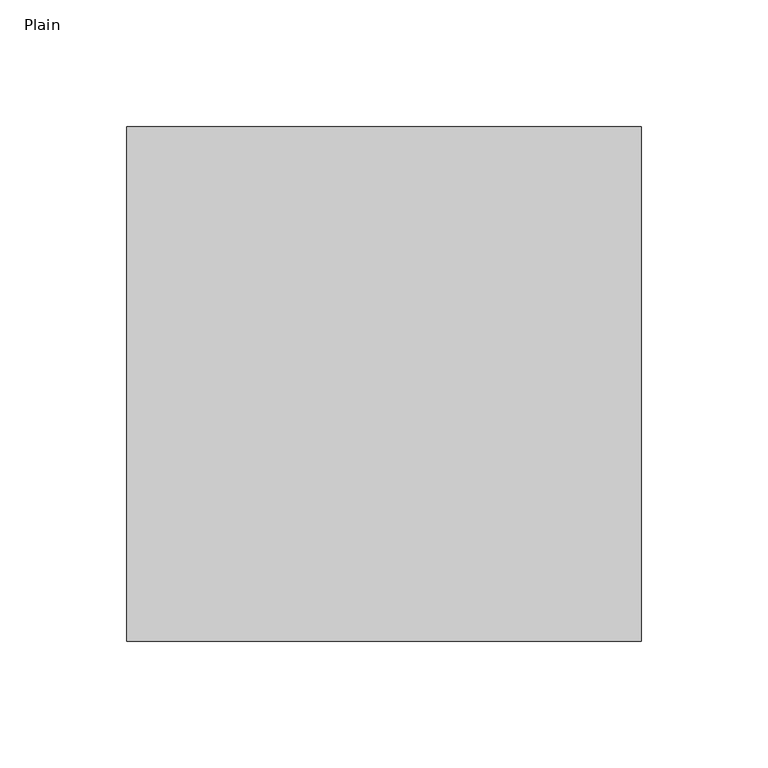
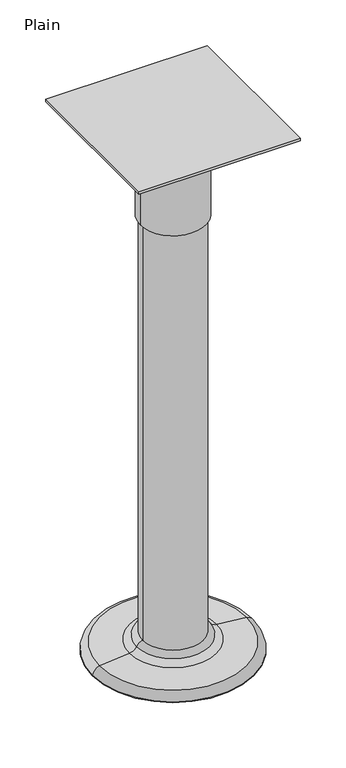
"""IFC4 building model written with IfcOpenShell, lengths in millimetres: furniture geometry, Plain."""

import ifcopenshell
import ifcopenshell.guid

model = None  # the IFC model being written
_history = None  # IfcOwnerHistory: only IFC2X3 demands one
_inside = {}  # id of a spatial element -> (the spatial element, [elements in it])
_under = {}  # id of a project, library or spatial element -> (it, [spatial elements below it])
_declared = {}  # id of a project -> (the project, [libraries it declares])
_typed = {}  # id of a type object -> (the type object, [elements of that type])
_made_of = {}  # id of a material, layer set ... -> (it, [elements and type objects made of it])


def new_model(schema):
    """Start an empty IFC model of exactly this schema.

    Asked for "IFC4X3", IfcOpenShell would pick the latest addendum, in which some entities
    have other attributes; the version numbers below select the first issue.
    IFC2X3 requires an IfcOwnerHistory on every rooted entity: one is made here for all.
    """
    global model, _history
    if schema == "IFC4X3":
        model = ifcopenshell.file(schema_version=(4, 3, 0, 0))
    else:
        model = ifcopenshell.file(schema=schema)
    _inside.clear()
    _under.clear()
    _declared.clear()
    _typed.clear()
    _made_of.clear()
    _history = None
    if model.schema == "IFC2X3":
        org = make("IfcOrganization", Name="unknown")
        user = make(
            "IfcPersonAndOrganization",
            ThePerson=make("IfcPerson", FamilyName="unknown"),
            TheOrganization=org,
        )
        app = make(
            "IfcApplication",
            ApplicationDeveloper=org,
            Version="unknown",
            ApplicationFullName="unknown",
            ApplicationIdentifier="unknown",
        )
        _history = make(
            "IfcOwnerHistory",
            OwningUser=user,
            OwningApplication=app,
            ChangeAction="ADDED",
            CreationDate=0,
        )
    return model


def make(cls, **values):
    """One entity of the class cls with the attributes given. An attribute that is None is left unset."""
    return model.create_entity(
        cls, **{name: value for name, value in values.items() if value is not None}
    )


def rooted(cls, **values):
    """An entity with a GlobalId (a new one), such as an element, a storey or a relation."""
    return make(cls, GlobalId=ifcopenshell.guid.new(), OwnerHistory=_history, **values)


def si_unit(unit_type, name, prefix=None):
    """IfcSIUnit, for example si_unit("LENGTHUNIT", "METRE", prefix="MILLI")."""
    return make("IfcSIUnit", UnitType=unit_type, Prefix=prefix, Name=name)


def assignment(units):
    """IfcUnitAssignment: the units of a project."""
    return None if units is None else make("IfcUnitAssignment", Units=units)


def point(xyz):
    """IfcCartesianPoint."""
    return None if xyz is None else make("IfcCartesianPoint", Coordinates=xyz)


def direction(xyz):
    """IfcDirection."""
    return None if xyz is None else make("IfcDirection", DirectionRatios=xyz)


def frame(location, z_axis=None, x_axis=None):
    """IfcAxis2Placement3D, a coordinate frame: its origin and axes. An axis left out is left unset."""
    return make(
        "IfcAxis2Placement3D",
        Location=point(location),
        Axis=direction(z_axis),
        RefDirection=direction(x_axis),
    )


def origin():
    """The frame at (0, 0, 0) with its axes left unset."""
    return frame((0.0, 0.0, 0.0))


def place(relative_to, where):
    """IfcLocalPlacement: puts the frame where relative to a parent placement (None: the world)."""
    return make(
        "IfcLocalPlacement", PlacementRelTo=relative_to, RelativePlacement=where
    )


def context(
    kind, dimensions, precision=None, world=None, true_north=None, identifier=None
):
    """IfcGeometricRepresentationContext, for example the 3D "Model" context."""
    return make(
        "IfcGeometricRepresentationContext",
        ContextIdentifier=identifier,
        ContextType=kind,
        CoordinateSpaceDimension=dimensions,
        Precision=precision,
        WorldCoordinateSystem=world,
        TrueNorth=true_north,
    )


def project(units=None, contexts=None):
    """IfcProject with its units and contexts."""
    return rooted(
        "IfcProject",
        Name="project",
        RepresentationContexts=contexts,
        UnitsInContext=assignment(units),
    )


def spatial(cls, under=None, at=None, **own):
    """A site, building, storey or space (cls), placed at a placement, below another one or the project."""
    s = rooted(cls, ObjectPlacement=at, **own)
    if under is not None:
        _under.setdefault(under.id(), (under, []))[1].append(s)
    return s


def polyline(points):
    """IfcPolyline through the points."""
    return make("IfcPolyline", Points=[point(p) for p in points])


def circle_curve(where, radius):
    """IfcCircle in the frame where."""
    return make("IfcCircle", Position=where, Radius=radius)


def ellipse_curve(where, semi_axis1, semi_axis2):
    """IfcEllipse in the frame where."""
    return make(
        "IfcEllipse", Position=where, SemiAxis1=semi_axis1, SemiAxis2=semi_axis2
    )


def trimmed(basis, trim1, trim2, sense, master):
    """IfcTrimmedCurve: the piece of a basis curve between two trims."""
    return make(
        "IfcTrimmedCurve",
        BasisCurve=basis,
        Trim1=trim1,
        Trim2=trim2,
        SenseAgreement=sense,
        MasterRepresentation=master,
    )


def outline(outer, holes=None, kind="AREA"):
    """IfcArbitraryClosedProfileDef: a profile drawn as a closed curve; with holes, ...WithVoids."""
    if holes is None:
        return make("IfcArbitraryClosedProfileDef", ProfileType=kind, OuterCurve=outer)
    return make(
        "IfcArbitraryProfileDefWithVoids",
        ProfileType=kind,
        OuterCurve=outer,
        InnerCurves=holes,
    )


def extrude(swept, where, along, depth):
    """IfcExtrudedAreaSolid: the profile swept, set in the frame where, extruded along a direction by depth."""
    return make(
        "IfcExtrudedAreaSolid",
        SweptArea=swept,
        Position=where,
        ExtrudedDirection=direction(along),
        Depth=depth,
    )


def shape(context_of_items, identifier, shape_type, items):
    """IfcShapeRepresentation: the items that make up one representation, for example the "Body"."""
    return make(
        "IfcShapeRepresentation",
        ContextOfItems=context_of_items,
        RepresentationIdentifier=identifier,
        RepresentationType=shape_type,
        Items=items,
    )


def source(mapping_origin, context_of_items, identifier, shape_type, items):
    """IfcRepresentationMap: a shape defined once, which mapped items show again and again."""
    return make(
        "IfcRepresentationMap",
        MappingOrigin=mapping_origin,
        MappedRepresentation=shape(context_of_items, identifier, shape_type, items),
    )


def transform(
    local_origin,
    x_axis=None,
    y_axis=None,
    z_axis=None,
    scale=None,
    scale2=None,
    scale3=None,
    uniform=True,
):
    """IfcCartesianTransformationOperator3D, or its non-uniform kind. x_axis, y_axis, z_axis: its Axis1, 2, 3."""
    if uniform:
        return make(
            "IfcCartesianTransformationOperator3D",
            Axis1=direction(x_axis),
            Axis2=direction(y_axis),
            LocalOrigin=point(local_origin),
            Scale=scale,
            Axis3=direction(z_axis),
        )
    return make(
        "IfcCartesianTransformationOperator3DnonUniform",
        Axis1=direction(x_axis),
        Axis2=direction(y_axis),
        LocalOrigin=point(local_origin),
        Scale=scale,
        Axis3=direction(z_axis),
        Scale2=scale2,
        Scale3=scale3,
    )


def mapped(mapping_source, mapping_target):
    """IfcMappedItem: shows the shape of a source again, moved by a transform."""
    return make(
        "IfcMappedItem", MappingSource=mapping_source, MappingTarget=mapping_target
    )


def made_of(thing, what):
    """Note that an element or type object is made of a material, layer set ...; save() writes the relation."""
    if what is not None:
        _made_of.setdefault(what.id(), (what, []))[1].append(thing)
    return thing


def element(
    cls,
    number,
    at=None,
    inside=None,
    cuts=None,
    type_object=None,
    material=None,
    context=None,
    identifier="Body",
    shape_type=None,
    held_by="IfcProductDefinitionShape",
    body=None,
    shapes=None,
    **own,
):
    """One element of the class cls, such as IfcWall. Its Tag is "e" and its number.

    at: its placement. inside: the storey or other place that contains it. cuts: it is an
    opening in that element (IfcRelVoidsElement). A single representation is given by context,
    identifier, shape_type and body (its items); several are given by shapes. held_by: the class
    of the entity that holds the representations. save() writes the other relations.
    """
    e = rooted(cls, Tag="e%d" % number, ObjectPlacement=at, **own)
    if body is not None:
        shapes = [shape(context, identifier, shape_type, body)]
    if shapes is not None:
        e.Representation = make(held_by, Representations=shapes)
    if inside is not None:
        _inside.setdefault(inside.id(), (inside, []))[1].append(e)
    if cuts is not None:
        rooted(
            "IfcRelVoidsElement", RelatingBuildingElement=cuts, RelatedOpeningElement=e
        )
    if type_object is not None:
        _typed.setdefault(type_object.id(), (type_object, []))[1].append(e)
    return made_of(e, material)


def aggregate(whole, parts):
    """IfcRelAggregates: a whole, such as a stair, and the parts it consists of."""
    return rooted("IfcRelAggregates", RelatingObject=whole, RelatedObjects=parts)


def save(model, path):
    """Write the relations noted so far, then the file.

    IfcRelAggregates (storeys below a building ...), IfcRelContainedInSpatialStructure (elements
    in a storey), IfcRelDefinesByType, IfcRelAssociatesMaterial and IfcRelDeclares: one each for
    every whole, place, type object, material and project.
    """
    for whole, parts in _under.values():
        aggregate(whole, parts)
    for where, things in _inside.values():
        rooted(
            "IfcRelContainedInSpatialStructure",
            RelatedElements=things,
            RelatingStructure=where,
        )
    for kind, things in _typed.values():
        rooted("IfcRelDefinesByType", RelatedObjects=things, RelatingType=kind)
    for what, things in _made_of.values():
        rooted("IfcRelAssociatesMaterial", RelatedObjects=things, RelatingMaterial=what)
    for by, libraries in _declared.values():
        rooted("IfcRelDeclares", RelatingContext=by, RelatedDefinitions=libraries)
    model.write(path)


def plane_surface(at):
    """IfcPlane: the flat surface through the origin of the frame at, square to its z axis."""
    return make("IfcPlane", Position=at)


def cylinder_surface(at, radius):
    """IfcCylindricalSurface: all points at the distance radius from the z axis of the frame at."""
    return make("IfcCylindricalSurface", Position=at, Radius=radius)


def revolved_surface(curve, axis_point, axis_direction):
    """IfcSurfaceOfRevolution: the curve turned about the line through axis_point along axis_direction."""
    return make(
        "IfcSurfaceOfRevolution",
        SweptCurve=make("IfcArbitraryOpenProfileDef", ProfileType="CURVE", Curve=curve),
        AxisPosition=make("IfcAxis1Placement", Location=point(axis_point), Axis=direction(axis_direction)),
    )


def advanced_brep(points, edges, surfaces, faces):
    """IfcAdvancedBrep: a solid bounded by faces that lie on surfaces and meet in shared edges.

    An edge is (start, end): straight between two places in points (the first is 0);
    or (start, end, curve); or (start, end, curve, False) where it runs against its curve.
    A face is (place in surfaces, loops), or (place, loops, False) where it looks against
    its surface's normal. A loop lists edges by number (the first is 1), with a minus sign
    where the edge is run from its end to its start. The first loop is the outer one.
    """
    corners = [point(p) for p in points]
    vertices = [make("IfcVertexPoint", VertexGeometry=c) for c in corners]
    made = []
    for start, end, *more in edges:
        made.append(
            make(
                "IfcEdgeCurve",
                EdgeStart=vertices[start],
                EdgeEnd=vertices[end],
                EdgeGeometry=more[0] if more else make("IfcPolyline", Points=[corners[start], corners[end]]),
                SameSense=more[1] if len(more) > 1 else True,
            )
        )
    hull = []
    for where, loops, *sense in faces:
        bounds = []
        for j, loop in enumerate(loops):
            ring = [make("IfcOrientedEdge", EdgeElement=made[abs(k) - 1], Orientation=k > 0) for k in loop]
            bounds.append(
                make(
                    "IfcFaceOuterBound" if j == 0 else "IfcFaceBound",
                    Bound=make("IfcEdgeLoop", EdgeList=ring),
                    Orientation=True,
                )
            )
        hull.append(make("IfcAdvancedFace", Bounds=bounds, FaceSurface=surfaces[where], SameSense=sense[0] if sense else True))
    return make("IfcAdvancedBrep", Outer=make("IfcClosedShell", CfsFaces=hull))


def plain_06d27916(model_context):
    return source(origin(), model_context, "Body", "SolidModel", [
        extrude(outline(polyline([(-57.7484004, 631.8914812), (-57.7484004, 428.6914812), (-260.9484004, 428.6914812), (-260.9484004, 631.8914812), (-57.7484004, 631.8914812)])), frame((0.0, 0.0, 703.2752), z_axis=(0.0, 0.0, 1.0), x_axis=(1.0, 0.0, 0.0)), (0.0, 0.0, 1.0), 3.4544),
        advanced_brep(
        [(-200.6234004, 530.2914812, 579.7296), (-118.0734004, 530.2914812, 579.7296), (-159.3484004, 530.2914812, 579.7296), (-200.6234004, 530.2914812, 703.2752), (-118.0734004, 530.2914812, 703.2752), (-159.3484004, 530.2914812, 703.2752)],
        [
            (0, 1, circle_curve(frame((-159.3484004, 530.2914812, 579.7296), z_axis=(0.0, 0.0, -1.0), x_axis=(1.0, 0.0, 0.0)), 41.275)),
            (1, 2),
            (2, 0),
            (1, 0, circle_curve(frame((-159.3484004, 530.2914812, 579.7296), z_axis=(0.0, 0.0, -1.0), x_axis=(1.0, 0.0, 0.0)), 41.275)),
            (3, 4, circle_curve(frame((-159.3484004, 530.2914812, 703.2752), z_axis=(0.0, 0.0, -1.0), x_axis=(1.0, 0.0, 0.0)), 41.275)),
            (4, 1),
            (0, 3),
            (4, 3, circle_curve(frame((-159.3484004, 530.2914812, 703.2752), z_axis=(0.0, 0.0, -1.0), x_axis=(1.0, 0.0, 0.0)), 41.275)),
            (5, 4),
            (3, 5),
        ],
        [
            plane_surface(frame((-159.3484004, 530.2914812, 579.7296), z_axis=(0.0, 0.0, -1.0), x_axis=(1.0, 0.0, 0.0))),
            cylinder_surface(frame((-159.3484004, 530.2914812, 579.7296), z_axis=(0.0, 0.0, 1.0), x_axis=(1.0, 0.0, 0.0)), 41.275),
            plane_surface(frame((-159.3484004, 530.2914812, 703.2752), z_axis=(0.0, 0.0, 1.0), x_axis=(1.0, 0.0, 0.0))),
        ],
        [
            (0, [[1, 2, 3]]),
            (0, [[4, -3, -2]]),
            (1, [[5, 6, -1, 7]]),
            (1, [[8, -7, -4, -6]]),
            (2, [[9, -5, 10]]),
            (2, [[-10, -8, -9]]),
        ],
    ),
        advanced_brep(
        [(-260.9484004, 530.2914812, 0.0), (-57.7484004, 530.2914812, 0.0), (-159.3484004, 530.2914812, 0.0), (-260.9484004, 530.2914812, 0.7937611), (-57.7484004, 530.2914812, 0.7937611), (-197.4484004, 530.2914812, 579.7296), (-121.2484004, 530.2914812, 579.7296), (-121.2484004, 530.2914812, 25.4), (-197.4484004, 530.2914812, 25.4), (-159.3484004, 530.2914812, 579.7296), (-252.2171504, 530.2914812, 10.3187504), (-66.4796504, 530.2914812, 10.3187504), (-214.5140239, 530.2914812, 13.8906254), (-104.1827769, 530.2914812, 13.8906254), (-205.3859019, 530.2914812, 19.4468758), (-113.3108989, 530.2914812, 19.4468758)],
        [
            (0, 1, circle_curve(frame((-159.3484004, 530.2914812, 0.0), z_axis=(0.0, 0.0, -1.0), x_axis=(1.0, 0.0, 0.0)), 101.6)),
            (1, 2),
            (2, 0),
            (1, 0, circle_curve(frame((-159.3484004, 530.2914812, 0.0), z_axis=(0.0, 0.0, -1.0), x_axis=(1.0, 0.0, 0.0)), 101.6)),
            (3, 4, circle_curve(frame((-159.3484004, 530.2914812, 0.7937611), z_axis=(0.0, 0.0, -1.0), x_axis=(1.0, 0.0, 0.0)), 101.6)),
            (4, 1),
            (0, 3),
            (4, 3, circle_curve(frame((-159.3484004, 530.2914812, 0.7937611), z_axis=(0.0, 0.0, -1.0), x_axis=(1.0, 0.0, 0.0)), 101.6)),
            (5, 6, circle_curve(frame((-159.3484004, 530.2914812, 579.7296), z_axis=(0.0, 0.0, -1.0), x_axis=(1.0, 0.0, 0.0)), 38.1)),
            (6, 7),
            (7, 8, circle_curve(frame((-159.3484004, 530.2914812, 25.4), z_axis=(0.0, 0.0, 1.0), x_axis=(1.0, 0.0, 0.0)), 38.1)),
            (8, 5),
            (6, 5, circle_curve(frame((-159.3484004, 530.2914812, 579.7296), z_axis=(0.0, 0.0, -1.0), x_axis=(1.0, 0.0, 0.0)), 38.1)),
            (8, 7, circle_curve(frame((-159.3484004, 530.2914812, 25.4), z_axis=(0.0, 0.0, 1.0), x_axis=(1.0, 0.0, 0.0)), 38.1)),
            (9, 6),
            (5, 9),
            (10, 11, circle_curve(frame((-159.3484004, 530.2914812, 10.3187504), z_axis=(0.0, 0.0, -1.0), x_axis=(1.0, 0.0, 0.0)), 92.86875)),
            (11, 4, circle_curve(frame((-68.631495, 530.2914812, -0.4180981), z_axis=(0.0, 1.0, 0.0), x_axis=(1.0, 0.0, 0.0)), 10.9503585)),
            (3, 10, circle_curve(frame((-250.0653058, 530.2914812, -0.4180981), z_axis=(0.0, 1.0, 0.0), x_axis=(-1.0, 0.0, 0.0)), 10.9503585)),
            (11, 10, circle_curve(frame((-159.3484004, 530.2914812, 10.3187504), z_axis=(0.0, 0.0, -1.0), x_axis=(1.0, 0.0, 0.0)), 92.86875)),
            (12, 13, circle_curve(frame((-159.3484004, 530.2914812, 13.8906254), z_axis=(0.0, 0.0, -1.0), x_axis=(1.0, 0.0, 0.0)), 55.1656235)),
            (13, 11),
            (10, 12),
            (13, 12, circle_curve(frame((-159.3484004, 530.2914812, 13.8906254), z_axis=(0.0, 0.0, -1.0), x_axis=(1.0, 0.0, 0.0)), 55.1656235)),
            (14, 15, circle_curve(frame((-159.3484004, 530.2914812, 19.4468758), z_axis=(0.0, 0.0, -1.0), x_axis=(1.0, 0.0, 0.0)), 46.0375015)),
            (15, 13, circle_curve(frame((-102.6331982, 530.2914812, 26.7125832), z_axis=(0.0, -1.0, 0.0), x_axis=(1.0, 0.0, 0.0)), 12.9152544)),
            (12, 14, circle_curve(frame((-216.0636025, 530.2914812, 26.7125832), z_axis=(0.0, -1.0, 0.0), x_axis=(-1.0, 0.0, 0.0)), 12.9152544)),
            (15, 14, circle_curve(frame((-159.3484004, 530.2914812, 19.4468758), z_axis=(0.0, 0.0, -1.0), x_axis=(1.0, 0.0, 0.0)), 46.0375015)),
            (7, 15, circle_curve(frame((-122.0173489, 530.2914812, 16.1065035), z_axis=(0.0, 1.0, 0.0), x_axis=(1.0, 0.0, 0.0)), 9.3252538)),
            (14, 8, circle_curve(frame((-196.6794519, 530.2914812, 16.1065035), z_axis=(0.0, 1.0, 0.0), x_axis=(-1.0, 0.0, 0.0)), 9.3252538)),
        ],
        [
            plane_surface(frame((-159.3484004, 530.2914812, 0.0), z_axis=(0.0, 0.0, -1.0), x_axis=(1.0, 0.0, 0.0))),
            cylinder_surface(frame((-159.3484004, 530.2914812, 0.0), z_axis=(0.0, 0.0, 1.0), x_axis=(1.0, 0.0, 0.0)), 101.6),
            cylinder_surface(frame((-159.3484004, 530.2914812, 0.0), z_axis=(0.0, 0.0, 1.0), x_axis=(1.0, 0.0, 0.0)), 38.1),
            plane_surface(frame((-159.3484004, 530.2914812, 579.7296), z_axis=(0.0, 0.0, 1.0), x_axis=(1.0, 0.0, 0.0))),
            revolved_surface(trimmed(ellipse_curve(frame((-68.631495, 530.2914812, -0.4180981), z_axis=(0.0, -1.0, 0.0), x_axis=(1.0, 0.0, 0.0)), 10.9503585, 10.9503585), [point((-57.7484004, 530.2914812, 0.7937611))], [point((-66.4796504, 530.2914812, 10.3187504))], True, "CARTESIAN"), (-159.3484004, 530.2914812, 0.0), (0.0, 0.0, 1.0)),
            revolved_surface(polyline([(-66.4796504, 530.2914812, 10.3187504), (-104.1827769, 530.2914812, 13.8906254)]), (-159.3484004, 530.2914812, 0.0), (0.0, 0.0, 1.0)),
            revolved_surface(trimmed(ellipse_curve(frame((-102.6331982, 530.2914812, 26.7125832), z_axis=(0.0, 1.0, 0.0), x_axis=(1.0, 0.0, 0.0)), 12.9152544, 12.9152544), [point((-104.1827769, 530.2914812, 13.8906254))], [point((-113.3108989, 530.2914812, 19.4468758))], True, "CARTESIAN"), (-159.3484004, 530.2914812, 0.0), (0.0, 0.0, 1.0)),
            revolved_surface(trimmed(ellipse_curve(frame((-122.0173489, 530.2914812, 16.1065035), z_axis=(0.0, -1.0, 0.0), x_axis=(1.0, 0.0, 0.0)), 9.3252538, 9.3252538), [point((-113.3108989, 530.2914812, 19.4468758))], [point((-121.2484004, 530.2914812, 25.4))], True, "CARTESIAN"), (-159.3484004, 530.2914812, 0.0), (0.0, 0.0, 1.0)),
        ],
        [
            (0, [[1, 2, 3]]),
            (0, [[4, -3, -2]]),
            (1, [[5, 6, -1, 7]]),
            (1, [[8, -7, -4, -6]]),
            (2, [[9, 10, 11, 12]]),
            (2, [[13, -12, 14, -10]]),
            (3, [[15, -9, 16]]),
            (3, [[-16, -13, -15]]),
            (4, [[17, 18, -5, 19]]),
            (4, [[20, -19, -8, -18]]),
            (5, [[21, 22, -17, 23]]),
            (5, [[24, -23, -20, -22]]),
            (6, [[25, 26, -21, 27]]),
            (6, [[28, -27, -24, -26]]),
            (7, [[-11, 29, -25, 30]]),
            (7, [[-14, -30, -28, -29]]),
        ],
    ),
    ])


if __name__ == "__main__":
    model = new_model("IFC4")
    model_context = context("Model", 3, world=origin())
    ifc_project = project(units=[si_unit("LENGTHUNIT", "METRE", prefix="MILLI")], contexts=[model_context])
    site = spatial("IfcSite", under=ifc_project)
    building = spatial("IfcBuilding", under=site)
    placement = place(None, origin())
    plain_shape = plain_06d27916(model_context)
    element("IfcFurniture", 1, ObjectType="Plain", at=placement, inside=building, context=model_context, shape_type="MappedRepresentation", body=[
        mapped(plain_shape, transform((0.0, 0.0, 0.0), x_axis=(1.0, 0.0, 0.0), y_axis=(0.0, 1.0, 0.0), z_axis=(0.0, 0.0, 1.0))),
    ])
    save(model, "model.ifc")
